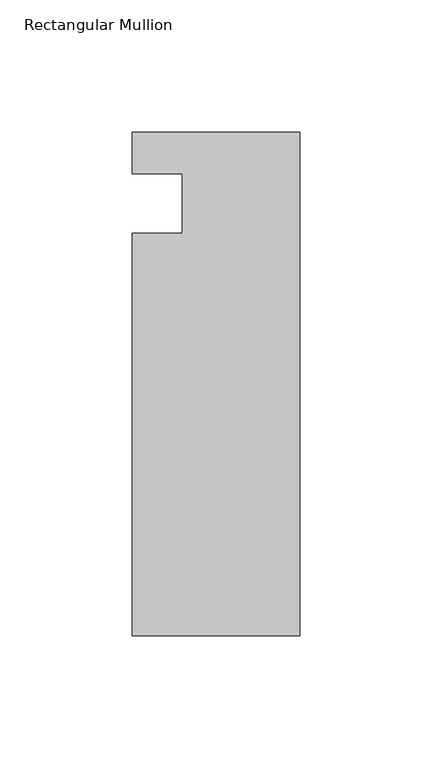
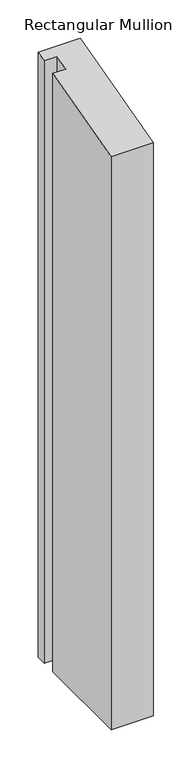
"""IFC4 building model written with IfcOpenShell, lengths in millimetres: member geometry, Rectangular Mullion."""

from ifc_helpers import new_model, si_unit, origin, place, context, project, spatial, faceted_brep, source, transform, mapped, element, save


def rectangular_mullion_6f139dda(model_context):
    return source(origin(), model_context, "Body", "Brep", [
        faceted_brep([(-198.4248, 20.7668813, -959.0170958), (-134.9248, 20.7668813, -959.0170958), (-134.9248, -169.9617187, -959.0170958), (-198.4248, -169.9617188, -959.0170958), (-198.4248, -17.5617188, -959.0170958), (-179.3748, -17.5617188, -959.0170958), (-179.3748, 4.9172813, -959.0170958), (-198.4248, 4.9172813, -959.0170958), (-198.4248, 4.9172813, 1.3175815), (-198.4248, 20.7668813, 5.5644691), (-179.3748, 4.9172813, 1.3175815), (-179.3748, -17.5617188, -4.7056484), (-198.4248, -17.5617188, -4.7056484), (-198.4248, -169.9617188, -45.5411053), (-134.9248, -169.9617187, -45.5411053), (-134.9248, 20.7668813, 5.5644691)], [[[0, 1, 2, 3, 4, 5, 6, 7]], [[8, 9, 0, 7]], [[10, 8, 7, 6]], [[11, 10, 6, 5]], [[12, 11, 5, 4]], [[13, 12, 4, 3]], [[14, 13, 3, 2]], [[15, 14, 2, 1]], [[9, 15, 1, 0]], [[9, 8, 10, 11, 12, 13, 14, 15]]]),
    ])


if __name__ == "__main__":
    model = new_model("IFC4")
    model_context = context("Model", 3, world=origin())
    ifc_project = project(units=[si_unit("LENGTHUNIT", "METRE", prefix="MILLI")], contexts=[model_context])
    site = spatial("IfcSite", under=ifc_project)
    building = spatial("IfcBuilding", under=site)
    placement = place(None, origin())
    rectangular_mullion_shape = rectangular_mullion_6f139dda(model_context)
    element("IfcMember", 1, ObjectType="Rectangular Mullion", at=placement, inside=building, context=model_context, shape_type="MappedRepresentation", body=[
        mapped(rectangular_mullion_shape, transform((0.0, 0.0, 0.0), x_axis=(1.0, 0.0, 0.0), y_axis=(0.0, 1.0, 0.0), z_axis=(0.0, 0.0, 1.0))),
    ])
    save(model, "model.ifc")
